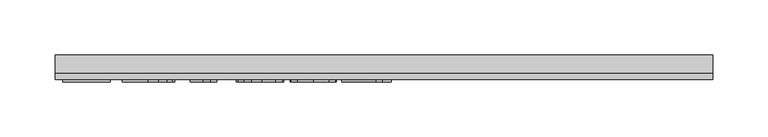
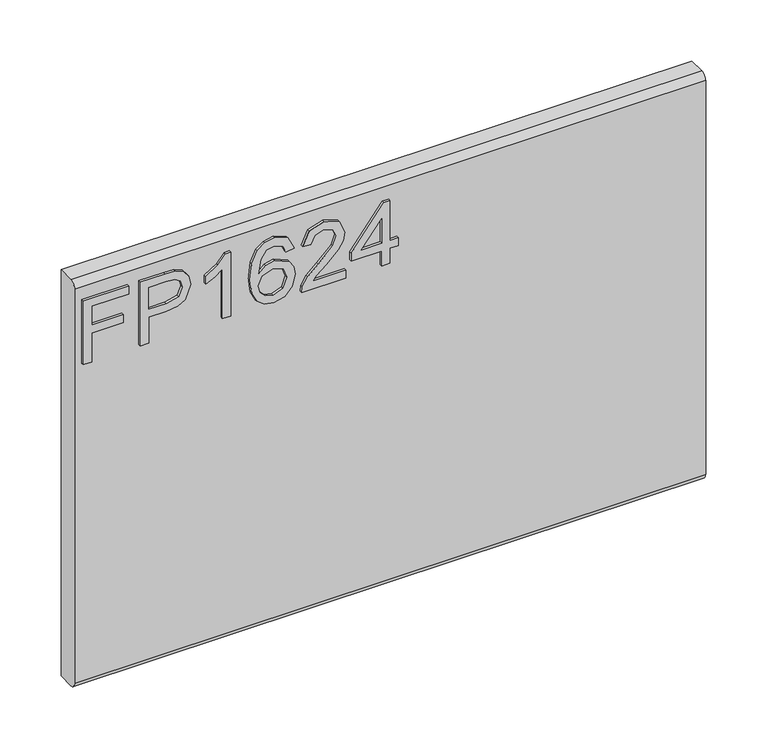
"""IFC4 building model written with IfcOpenShell, lengths in millimetres: furniture geometry."""

from ifc_helpers import new_model, si_unit, frame, origin, place, context, project, spatial, polyline, circle_curve, outline, extrude, source, transform, mapped, element, save
from ifc_brep_helpers import plane_surface, cylinder_surface, advanced_brep


def furniture_81947ed4(model_context):
    return source(origin(), model_context, "Body", "SolidModel", [
        extrude(outline(polyline([(1085.85, -291.4729953), (1085.85, -283.4992757), (1114.7547336, -283.4992757), (1114.7547336, -253.5978271), (1122.7284532, -253.5978271), (1122.7284532, -283.4992757), (1141.6660373, -283.4992757), (1141.6660373, -248.6142524), (1149.6397569, -248.6142524), (1149.6397569, -291.4729953), (1085.85, -291.4729953)])), frame((0.0, -15.0812439, 0.0), z_axis=(0.0, 1.0, 0.0), x_axis=(0.0, 0.0, 1.0)), (0.0, 0.0, 1.0), 2.38125),
        extrude(outline(polyline([(1085.85, -237.6503879), (1085.85, -229.6766683), (1111.7645888, -229.6766683), (1111.7645888, -213.4644766), (1113.174006, -202.1365776), (1117.4022577, -194.9395948), (1131.1849567, -189.8080702), (1139.882852, -191.7080581), (1146.0500257, -196.730567), (1149.0323838, -204.4784684), (1149.6397569, -214.0095551), (1149.6397569, -237.6503879), (1085.85, -237.6503879)]), holes=[polyline([(1119.7383084, -229.6766683), (1141.6660373, -229.6766683), (1141.6660373, -213.1841506), (1141.1209588, -205.2104309), (1137.5078671, -199.8297276), (1130.9046306, -197.7817898), (1122.6661585, -201.2547185), (1119.7383084, -212.9972665), (1119.7383084, -229.6766683)])]), frame((0.0, -15.0812439, 0.0), z_axis=(0.0, 1.0, 0.0), x_axis=(0.0, 0.0, 1.0)), (0.0, 0.0, 1.0), 2.38125),
        extrude(outline(polyline([(1085.85, -151.932902), (1149.6397569, -151.932902), (1149.6397569, -157.0722135), (1141.1521062, -164.1660207), (1133.6923177, -175.8540609), (1126.1546609, -175.8540609), (1130.1804549, -167.4598521), (1135.5611582, -159.9066216), (1085.85, -159.9066216), (1085.85, -151.932902)])), frame((0.0, -15.0812439, 0.0), z_axis=(0.0, 1.0, 0.0), x_axis=(0.0, 0.0, 1.0)), (0.0, 0.0, 1.0), 2.38125),
        extrude(outline(polyline([(1132.6956028, -92.1300049), (1145.138966, -98.0168526), (1149.6397569, -110.6159525), (1147.8215308, -119.8706066), (1142.3668525, -127.0150282), (1131.5081103, -132.2477817), (1115.6268592, -133.9920329), (1101.5015395, -132.4210388), (1092.0171738, -127.7080566), (1086.6442572, -120.503287), (1084.853285, -111.4569308), (1087.555317, -101.0069974), (1095.3421526, -93.7652403), (1106.3449512, -91.1332899), (1114.5172351, -92.5310269), (1121.0309231, -96.7242379), (1126.715313, -110.2733317), (1124.6362279, -118.9868007), (1118.2743833, -126.0183133), (1132.4853582, -123.7523441), (1139.7349021, -118.309346), (1141.6660373, -111.11431), (1138.3488454, -103.1250167), (1131.6988878, -100.1037245), (1132.6956028, -92.1300049)]), holes=[polyline([(1106.4695406, -126.0183133), (1115.35432, -122.054814), (1118.7415934, -112.4069247), (1115.35432, -102.6344461), (1106.0801988, -99.1070095), (1096.3933754, -102.6811671), (1092.8270047, -112.0798776), (1094.5478953, -119.2671268), (1099.5626174, -124.1728332), (1106.4695406, -126.0183133)])]), frame((0.0, -15.0812439, 0.0), z_axis=(0.0, 1.0, 0.0), x_axis=(0.0, 0.0, 1.0)), (0.0, 0.0, 1.0), 2.38125),
        extrude(outline(polyline([(1093.8237196, -43.2909722), (1093.8237196, -74.6096249), (1097.8806609, -71.0121068), (1105.550694, -61.8392145), (1116.4756243, -50.4159268), (1124.2936072, -45.7048912), (1131.8546245, -44.2876872), (1144.5315928, -49.5438012), (1149.6397569, -63.8170708), (1145.045524, -78.0436193), (1131.6988878, -84.1562853), (1130.7021729, -76.1825656), (1138.7537608, -72.8264395), (1141.6660373, -63.9883812), (1138.6836793, -55.5085172), (1131.3718407, -52.2614068), (1122.3391115, -55.7031881), (1109.05477, -69.4703134), (1099.8117962, -79.4530366), (1091.3475059, -84.2964483), (1085.85, -85.1530002), (1085.85, -43.2909722), (1093.8237196, -43.2909722)])), frame((0.0, -15.0812439, 0.0), z_axis=(0.0, 1.0, 0.0), x_axis=(0.0, 0.0, 1.0)), (0.0, 0.0, 1.0), 2.38125),
        extrude(outline(polyline([(1085.85, -9.4026638), (1085.85, -1.4289442), (1100.8007243, -1.4289442), (1100.8007243, 6.5447754), (1108.7744439, 6.5447754), (1108.7744439, -1.4289442), (1148.643042, -1.4289442), (1148.643042, -7.4092339), (1108.7744439, -38.3073975), (1100.8007243, -38.3073975), (1100.8007243, -9.4026638), (1085.85, -9.4026638)]), holes=[polyline([(1108.7744439, -9.4026638), (1108.7744439, -28.4959846), (1133.4119916, -9.4026638), (1108.7744439, -9.4026638)])]), frame((0.0, -15.0812439, 0.0), z_axis=(0.0, 1.0, 0.0), x_axis=(0.0, 0.0, 1.0)), (0.0, 0.0, 1.0), 2.38125),
        advanced_brep(
        [(298.45, 9.5250061, 1168.4), (298.45, -6.7309939, 1168.4), (298.45, -12.6999939, 1162.431), (298.45, -12.6999939, 767.969), (298.45, -6.7309939, 762.0), (298.45, 9.5250061, 762.0), (-298.45, 9.5250061, 1168.4), (-298.45, 9.5250061, 762.0), (-298.45, -6.7309939, 762.0), (-298.45, -12.6999939, 767.969), (-298.45, -12.6999939, 1162.4310121), (-298.45, -6.7309939, 1168.4)],
        [
            (0, 1),
            (1, 2, circle_curve(frame((298.45, -6.7309939, 1162.431), z_axis=(1.0, 0.0, 0.0), x_axis=(0.0, 1.0, 0.0)), 5.969)),
            (2, 3),
            (3, 4, circle_curve(frame((298.45, -6.7309939, 767.969), z_axis=(1.0, 0.0, 0.0), x_axis=(0.0, 1.0, 0.0)), 5.969)),
            (4, 5),
            (5, 0),
            (6, 7),
            (7, 8),
            (8, 9, circle_curve(frame((-298.45, -6.7309939, 767.969), z_axis=(-1.0, 0.0, 0.0), x_axis=(0.0, 1.0, 0.0)), 5.969)),
            (9, 10),
            (10, 11, circle_curve(frame((-298.45, -6.7309939, 1162.431), z_axis=(-1.0, 0.0, 0.0), x_axis=(0.0, 1.0, 0.0)), 5.969)),
            (11, 6),
            (0, 6),
            (11, 1),
            (10, 2),
            (9, 3),
            (8, 4),
            (7, 5),
        ],
        [
            plane_surface(frame((298.45, -6.7309939, 1168.4), z_axis=(1.0, 0.0, 0.0), x_axis=(0.0, -1.0, 0.0))),
            plane_surface(frame((-298.45, -6.7309939, 1168.4), z_axis=(-1.0, 0.0, 0.0), x_axis=(0.0, 1.0, 0.0))),
            plane_surface(frame((298.45, 9.5250061, 1168.4), z_axis=(0.0, 0.0, 1.0), x_axis=(-1.0, 0.0, 0.0))),
            cylinder_surface(frame((-298.45, -6.7309939, 1162.431), z_axis=(1.0, 0.0, 0.0), x_axis=(0.0, 1.0, 0.0)), 5.969),
            plane_surface(frame((298.45, -12.6999939, 1162.4310121), z_axis=(0.0, -1.0, 0.0), x_axis=(-1.0, 0.0, 0.0))),
            cylinder_surface(frame((-298.45, -6.7309939, 767.969), z_axis=(1.0, 0.0, 0.0), x_axis=(0.0, 1.0, 0.0)), 5.969),
            plane_surface(frame((298.45, -6.7309939, 762.0), z_axis=(0.0, 0.0, -1.0), x_axis=(-1.0, 0.0, 0.0))),
            plane_surface(frame((298.45, 9.5250061, 762.0), z_axis=(0.0, 1.0, 0.0), x_axis=(-1.0, 0.0, 0.0))),
        ],
        [
            (0, [[1, 2, 3, 4, 5, 6]]),
            (1, [[7, 8, 9, 10, 11, 12]]),
            (2, [[-1, 13, -12, 14]]),
            (3, [[-2, -14, -11, 15]]),
            (4, [[-3, -15, -10, 16]]),
            (5, [[-4, -16, -9, 17]]),
            (6, [[-5, -17, -8, 18]]),
            (7, [[-6, -18, -7, -13]]),
        ],
    ),
    ])


if __name__ == "__main__":
    model = new_model("IFC4")
    model_context = context("Model", 3, world=origin())
    ifc_project = project(units=[si_unit("LENGTHUNIT", "METRE", prefix="MILLI")], contexts=[model_context])
    site = spatial("IfcSite", under=ifc_project)
    building = spatial("IfcBuilding", under=site)
    placement = place(None, origin())
    furniture_shape = furniture_81947ed4(model_context)
    element("IfcFurniture", 1, at=placement, inside=building, context=model_context, shape_type="MappedRepresentation", body=[
        mapped(furniture_shape, transform((0.0, 0.0, 0.0), x_axis=(1.0, 0.0, 0.0), y_axis=(0.0, 1.0, 0.0), z_axis=(0.0, 0.0, 1.0))),
    ])
    save(model, "model.ifc")
